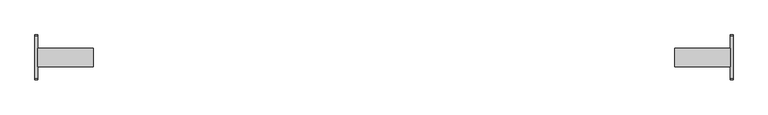
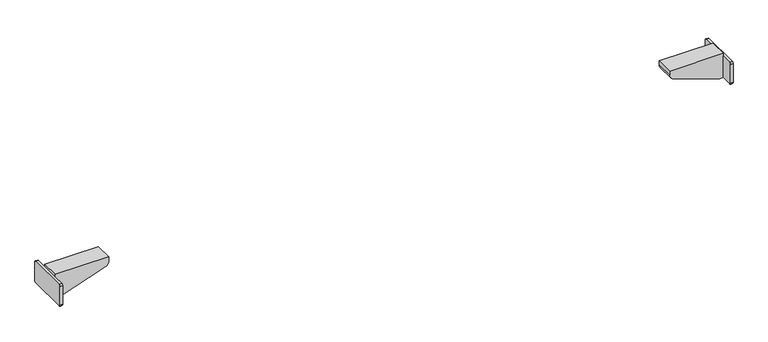
"""IFC4 building model written with IfcOpenShell, lengths in millimetres: furniture geometry."""

from ifc_helpers import new_model, si_unit, point, frame, frame_2d, origin, place, context, project, spatial, polyline, circle_curve, trimmed, segment, composite_curve, outline, extrude, source, transform, mapped, element, save
from ifc_brep_helpers import plane_surface, cylinder_surface, advanced_brep


def furniture_0a3bfb59(model_context):
    return source(origin(), model_context, "Body", "SolidModel", [
        extrude(outline(composite_curve([segment(polyline([(-39.4809876, 524.76), (39.5, 524.76)]), True, "CONTINUOUS"), segment(trimmed(circle_curve(frame_2d((39.5, 521.76)), 3.0), [point((39.5, 524.76))], [point((42.5, 521.76))], False, "CARTESIAN"), True, "CONTINUOUS"), segment(polyline([(42.5, 521.76), (42.5, 483.0324612)]), True, "CONTINUOUS"), segment(trimmed(circle_curve(frame_2d((39.4675388, 483.0324612)), 3.0324612), [point((42.5, 483.0324612))], [point((39.4675388, 480.0))], False, "CARTESIAN"), True, "CONTINUOUS"), segment(polyline([(39.4675388, 480.0), (-39.5133375, 480.0)]), True, "CONTINUOUS"), segment(trimmed(circle_curve(frame_2d((-39.5133375, 482.9866625)), 2.9866625), [point((-39.5133375, 480.0))], [point((-42.5, 482.9866625))], False, "CARTESIAN"), True, "CONTINUOUS"), segment(polyline([(-42.5, 482.9866625), (-42.5, 521.7409876)]), True, "CONTINUOUS"), segment(trimmed(circle_curve(frame_2d((-39.4809876, 521.7409876)), 3.0190124), [point((-42.5, 521.7409876))], [point((-39.4809876, 524.76))], False, "CARTESIAN"), True, "CONTINUOUS")], self_intersect=False)), frame((654.7599968, 0.0, 0.0), z_axis=(1.0, 0.0, 0.0), x_axis=(0.0, 1.0, 0.0)), (0.0, 0.0, 1.0), 5.24),
        extrude(outline(composite_curve([segment(polyline([(511.6677828, 556.7222698), (480.0, 647.9999968), (480.0, 654.7599968), (530.0, 654.7599968), (530.0, 549.9999968), (521.115349, 549.9999968)]), True, "CONTINUOUS"), segment(trimmed(circle_curve(frame_2d((521.115349, 559.9999968)), 10.0), [point((521.115349, 549.9999968))], [point((511.6677828, 556.7222698))], False, "CARTESIAN"), True, "CONTINUOUS")], self_intersect=False)), frame((0.0, -17.5, 0.0), z_axis=(0.0, 1.0, 0.0), x_axis=(0.0, 0.0, 1.0)), (0.0, 0.0, 1.0), 35.0),
        advanced_brep(
        [(-556.7222698, 17.5, 511.6677828), (-647.9999968, 17.5, 480.0), (-654.7599968, 17.5, 480.0), (-654.7599968, 17.5, 524.76), (-654.7599968, 17.5, 530.0), (-549.9999968, 17.5, 530.0), (-549.9999968, 17.5, 521.115349), (-556.7222698, -17.5, 511.6677828), (-549.9999968, -17.5, 521.115349), (-549.9999968, -17.5, 530.0), (-654.7599968, -17.5, 530.0), (-654.7599968, -17.5, 524.76), (-654.7599968, -17.5, 480.0), (-647.9999968, -17.5, 480.0), (-654.7599968, -39.5133375, 480.0), (-659.9999968, -39.5133375, 480.0), (-659.9999968, 39.4675388, 480.0), (-654.7599968, 39.4675388, 480.0), (-654.7599968, -39.4809876, 524.76), (-654.7599968, -42.5, 521.7409876), (-654.7599968, -42.5, 482.9866625), (-654.7599968, 39.5, 524.76), (-654.7599968, 42.5, 483.0324612), (-654.7599968, 42.5, 521.76), (-659.9999968, -39.4809876, 524.76), (-659.9999968, 39.5, 524.76), (-659.9999968, 42.5, 521.76), (-659.9999968, 42.5, 483.0324612), (-659.9999968, -42.5, 482.9866625), (-659.9999968, -42.5, 521.7409876)],
        [
            (0, 1),
            (1, 2),
            (2, 3),
            (3, 4),
            (4, 5),
            (5, 6),
            (6, 0, circle_curve(frame((-559.9999968, 17.5, 521.115349), z_axis=(0.0, 1.0, 0.0), x_axis=(1.0, 0.0, 0.0)), 10.0)),
            (7, 8, circle_curve(frame((-559.9999968, -17.5, 521.115349), z_axis=(0.0, -1.0, 0.0), x_axis=(1.0, 0.0, 0.0)), 10.0)),
            (8, 9),
            (9, 10),
            (10, 11),
            (11, 12),
            (12, 13),
            (13, 7),
            (6, 8),
            (7, 0),
            (5, 9),
            (4, 10),
            (3, 11),
            (1, 13),
            (12, 14),
            (14, 15),
            (15, 16),
            (16, 17),
            (17, 2),
            (11, 18),
            (18, 19, circle_curve(frame((-654.7599968, -39.4809876, 521.7409876), z_axis=(1.0, 0.0, 0.0), x_axis=(0.0, -1.0, 0.0)), 3.0190124)),
            (19, 20),
            (20, 14, circle_curve(frame((-654.7599968, -39.5133375, 482.9866625), z_axis=(1.0, 0.0, 0.0), x_axis=(0.0, -1.0, 0.0)), 2.9866625)),
            (21, 3),
            (17, 22, circle_curve(frame((-654.7599968, 39.4675388, 483.0324612), z_axis=(1.0, 0.0, 0.0), x_axis=(0.0, -1.0, 0.0)), 3.0324612)),
            (22, 23),
            (23, 21, circle_curve(frame((-654.7599968, 39.5, 521.76), z_axis=(1.0, 0.0, 0.0), x_axis=(0.0, -1.0, 0.0)), 3.0)),
            (24, 25),
            (25, 26, circle_curve(frame((-659.9999968, 39.5, 521.76), z_axis=(-1.0, 0.0, 0.0), x_axis=(0.0, -1.0, 0.0)), 3.0)),
            (26, 27),
            (27, 16, circle_curve(frame((-659.9999968, 39.4675388, 483.0324612), z_axis=(-1.0, 0.0, 0.0), x_axis=(0.0, -1.0, 0.0)), 3.0324612)),
            (15, 28, circle_curve(frame((-659.9999968, -39.5133375, 482.9866625), z_axis=(-1.0, 0.0, 0.0), x_axis=(0.0, -1.0, 0.0)), 2.9866625)),
            (28, 29),
            (29, 24, circle_curve(frame((-659.9999968, -39.4809876, 521.7409876), z_axis=(-1.0, 0.0, 0.0), x_axis=(0.0, -1.0, 0.0)), 3.0190124)),
            (24, 18),
            (21, 25),
            (23, 26),
            (22, 27),
            (20, 28),
            (19, 29),
        ],
        [
            plane_surface(frame((-549.9999968, 17.5, 521.115349), z_axis=(0.0, 1.0, 0.0), x_axis=(0.0, 0.0, 1.0))),
            plane_surface(frame((-549.9999968, -17.5, 521.115349), z_axis=(0.0, -1.0, 0.0), x_axis=(0.0, 0.0, -1.0))),
            cylinder_surface(frame((-559.9999968, -17.5, 521.115349), z_axis=(0.0, 1.0, 0.0), x_axis=(1.0, 0.0, 0.0)), 10.0),
            plane_surface(frame((-549.9999968, 17.5, 521.115349), z_axis=(1.0, 0.0, 0.0), x_axis=(0.0, -1.0, 0.0))),
            plane_surface(frame((-549.9999968, 17.5, 530.0), z_axis=(0.0, 0.0, 1.0), x_axis=(0.0, -1.0, 0.0))),
            plane_surface(frame((-654.7599968, 17.5, 530.0), z_axis=(-1.0, 0.0, 0.0), x_axis=(0.0, -1.0, 0.0))),
            plane_surface(frame((-654.7599968, 17.5, 480.0), z_axis=(0.0, 0.0, -1.0), x_axis=(0.0, -1.0, 0.0))),
            plane_surface(frame((-647.9999968, 17.5, 480.0), z_axis=(0.327772702093898, 0.0, -0.9447566119176223), x_axis=(0.0, -1.0, 0.0))),
            plane_surface(frame((-654.7599968, 39.5, 524.76), z_axis=(1.0, 0.0, 0.0), x_axis=(0.0, 1.0, 0.0))),
            plane_surface(frame((-659.9999968, 39.5, 524.76), z_axis=(-1.0, 0.0, 0.0), x_axis=(0.0, -1.0, 0.0))),
            plane_surface(frame((-654.7599968, -39.4809876, 524.76), z_axis=(0.0, 0.0, 1.0), x_axis=(-1.0, 0.0, 0.0))),
            cylinder_surface(frame((-659.9999968, 39.5, 521.76), z_axis=(1.0, 0.0, 0.0), x_axis=(0.0, -1.0, 0.0)), 3.0),
            plane_surface(frame((-654.7599968, 42.5, 521.76), z_axis=(0.0, 1.0, 0.0), x_axis=(-1.0, 0.0, 0.0))),
            cylinder_surface(frame((-659.9999968, 39.4675388, 483.0324612), z_axis=(1.0, 0.0, 0.0), x_axis=(0.0, -1.0, 0.0)), 3.0324612),
            cylinder_surface(frame((-659.9999968, -39.5133375, 482.9866625), z_axis=(1.0, 0.0, 0.0), x_axis=(0.0, -1.0, 0.0)), 2.9866625),
            plane_surface(frame((-654.7599968, -42.5, 482.9866625), z_axis=(0.0, -1.0, 0.0), x_axis=(-1.0, 0.0, 0.0))),
            cylinder_surface(frame((-659.9999968, -39.4809876, 521.7409876), z_axis=(1.0, 0.0, 0.0), x_axis=(0.0, -1.0, 0.0)), 3.0190124),
        ],
        [
            (0, [[1, 2, 3, 4, 5, 6, 7]]),
            (1, [[8, 9, 10, 11, 12, 13, 14]]),
            (2, [[15, -8, 16, -7]]),
            (3, [[17, -9, -15, -6]]),
            (4, [[18, -10, -17, -5]]),
            (5, [[-4, 19, -11, -18]]),
            (6, [[20, -13, 21, 22, 23, 24, 25, -2]]),
            (7, [[-16, -14, -20, -1]]),
            (8, [[-21, -12, 26, 27, 28, 29]]),
            (8, [[30, -3, -25, 31, 32, 33]]),
            (9, [[34, 35, 36, 37, -23, 38, 39, 40]]),
            (10, [[41, -26, -19, -30, 42, -34]]),
            (11, [[43, -35, -42, -33]]),
            (12, [[44, -36, -43, -32]]),
            (13, [[-24, -37, -44, -31]]),
            (14, [[45, -38, -22, -29]]),
            (15, [[46, -39, -45, -28]]),
            (16, [[-41, -40, -46, -27]]),
        ],
    ),
    ])


if __name__ == "__main__":
    model = new_model("IFC4")
    model_context = context("Model", 3, world=origin())
    ifc_project = project(units=[si_unit("LENGTHUNIT", "METRE", prefix="MILLI")], contexts=[model_context])
    site = spatial("IfcSite", under=ifc_project)
    building = spatial("IfcBuilding", under=site)
    placement = place(None, origin())
    furniture_shape = furniture_0a3bfb59(model_context)
    element("IfcFurniture", 1, at=placement, inside=building, context=model_context, shape_type="MappedRepresentation", body=[
        mapped(furniture_shape, transform((0.0, 0.0, 0.0), x_axis=(1.0, 0.0, 0.0), y_axis=(0.0, 1.0, 0.0), z_axis=(0.0, 0.0, 1.0))),
    ])
    save(model, "model.ifc")
